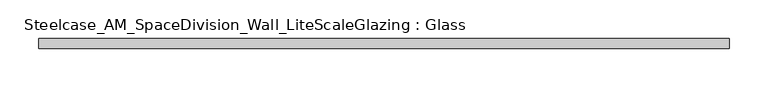
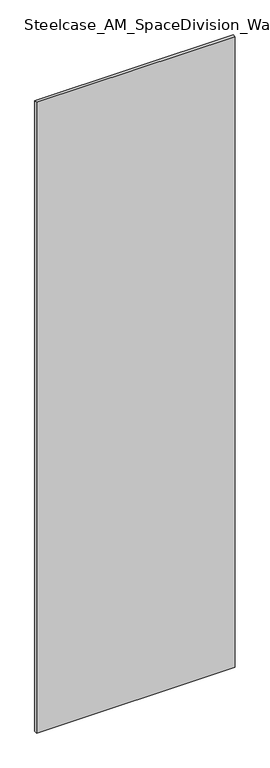
"""IFC4 building model written with IfcOpenShell, lengths in millimetres: plate geometry, Steelcase_AM_SpaceDivision_Wall_LiteScaleGlazing : Glass."""

from ifc_helpers import new_model, si_unit, origin, origin_with_axes, place, context, project, spatial, polyline, outline, extrude, source, transform, mapped, element, save


def steelcase_am_spacedivision_wall_litescaleglazing_glass_49775273(model_context):
    return source(origin(), model_context, "Body", "SweptSolid", [
        extrude(outline(polyline([(-442.8511799, -6.349956), (-442.8511799, 6.3502015), (442.8511799, 6.3502015), (442.8511799, -6.349956), (-442.8511799, -6.349956)])), origin_with_axes(), (0.0, 0.0, 1.0), 2970.784),
    ])


if __name__ == "__main__":
    model = new_model("IFC4")
    model_context = context("Model", 3, world=origin())
    ifc_project = project(units=[si_unit("LENGTHUNIT", "METRE", prefix="MILLI")], contexts=[model_context])
    site = spatial("IfcSite", under=ifc_project)
    building = spatial("IfcBuilding", under=site)
    placement = place(None, origin())
    steelcase_am_spacedivision_wall_litescaleglazing_glass_shape = steelcase_am_spacedivision_wall_litescaleglazing_glass_49775273(model_context)
    element("IfcPlate", 1, ObjectType="Steelcase_AM_SpaceDivision_Wall_LiteScaleGlazing : Glass", at=placement, inside=building, context=model_context, shape_type="MappedRepresentation", body=[
        mapped(steelcase_am_spacedivision_wall_litescaleglazing_glass_shape, transform((0.0, 0.0, 0.0), x_axis=(1.0, 0.0, 0.0), y_axis=(0.0, 1.0, 0.0), z_axis=(0.0, 0.0, 1.0))),
    ])
    save(model, "model.ifc")
